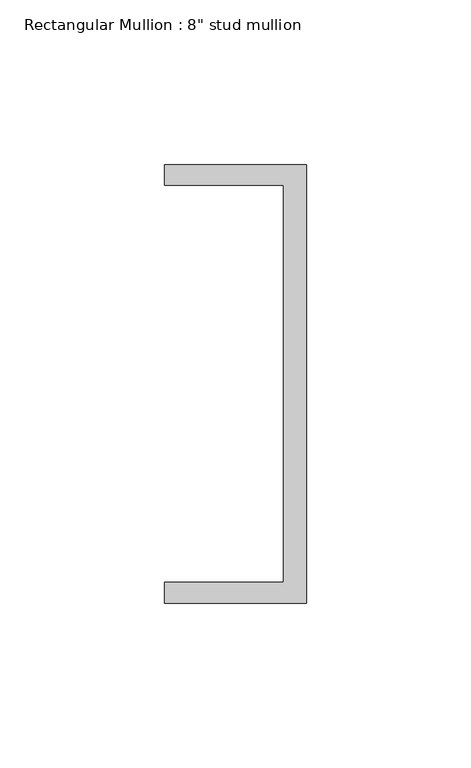
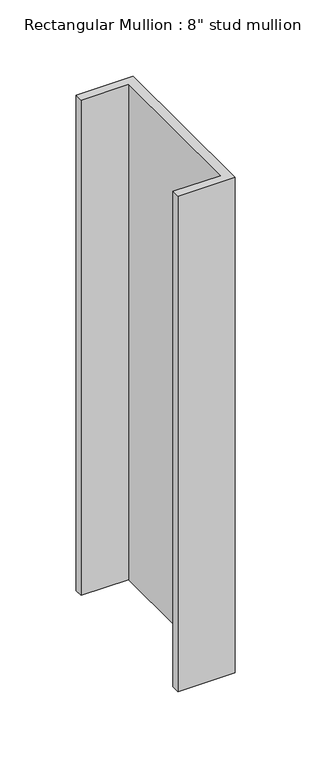
"""IFC4 building model written with IfcOpenShell, lengths in millimetres: member geometry."""

from ifc_helpers import new_model, si_unit, frame, origin, place, context, project, spatial, polyline, outline, extrude, source, transform, mapped, element, save


def member_1a75d94f(model_context):
    return source(origin(), model_context, "Body", "SweptSolid", [
        extrude(outline(polyline([(0.0, 135.2608739), (0.0, 1.9108739), (-43.2224547, 1.9108739), (-43.2224547, 8.2608739), (-7.0438577, 8.2608739), (-7.0438577, 128.9108739), (-43.2224547, 128.9108739), (-43.2224547, 135.2608739), (0.0, 135.2608739)])), frame((0.0, 0.0, -396.3132625), z_axis=(0.0, 0.0, 1.0), x_axis=(1.0, 0.0, 0.0)), (0.0, 0.0, 1.0), 396.3132625),
    ])


if __name__ == "__main__":
    model = new_model("IFC4")
    model_context = context("Model", 3, world=origin())
    ifc_project = project(units=[si_unit("LENGTHUNIT", "METRE", prefix="MILLI")], contexts=[model_context])
    site = spatial("IfcSite", under=ifc_project)
    building = spatial("IfcBuilding", under=site)
    placement = place(None, origin())
    member_shape = member_1a75d94f(model_context)
    element("IfcMember", 1, ObjectType="Rectangular Mullion : 8\" stud mullion", at=placement, inside=building, context=model_context, shape_type="MappedRepresentation", body=[
        mapped(member_shape, transform((0.0, 0.0, 0.0), x_axis=(1.0, 0.0, 0.0), y_axis=(0.0, 1.0, 0.0), z_axis=(0.0, 0.0, 1.0))),
    ])
    save(model, "model.ifc")
